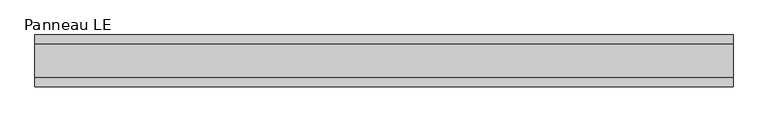
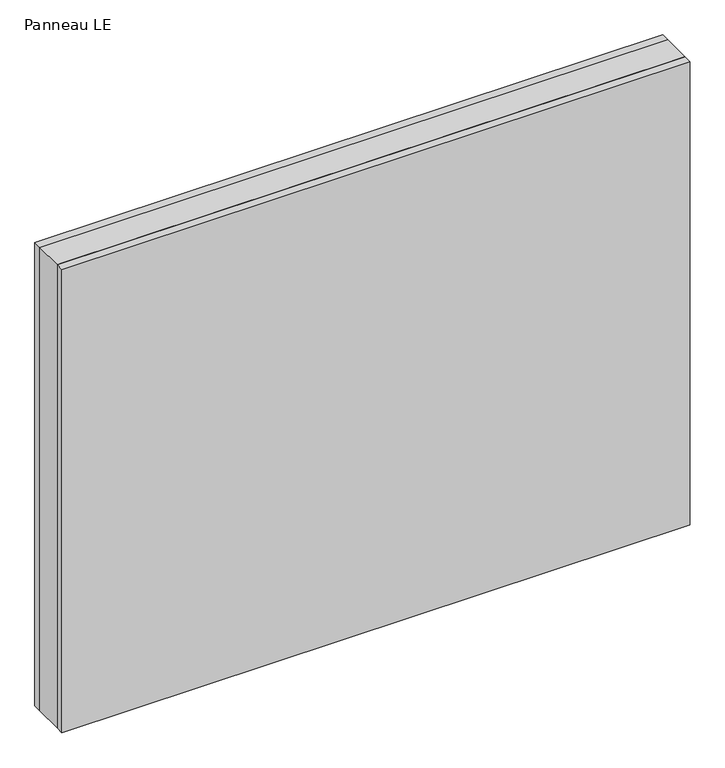
"""IFC4 building model written with IfcOpenShell, lengths in millimetres: plate geometry, Panneau LE."""

import ifcopenshell
import ifcopenshell.guid

model = None  # the IFC model being written
_history = None  # IfcOwnerHistory: only IFC2X3 demands one
_inside = {}  # id of a spatial element -> (the spatial element, [elements in it])
_under = {}  # id of a project, library or spatial element -> (it, [spatial elements below it])
_declared = {}  # id of a project -> (the project, [libraries it declares])
_typed = {}  # id of a type object -> (the type object, [elements of that type])
_made_of = {}  # id of a material, layer set ... -> (it, [elements and type objects made of it])


def new_model(schema):
    """Start an empty IFC model of exactly this schema.

    Asked for "IFC4X3", IfcOpenShell would pick the latest addendum, in which some entities
    have other attributes; the version numbers below select the first issue.
    IFC2X3 requires an IfcOwnerHistory on every rooted entity: one is made here for all.
    """
    global model, _history
    if schema == "IFC4X3":
        model = ifcopenshell.file(schema_version=(4, 3, 0, 0))
    else:
        model = ifcopenshell.file(schema=schema)
    _inside.clear()
    _under.clear()
    _declared.clear()
    _typed.clear()
    _made_of.clear()
    _history = None
    if model.schema == "IFC2X3":
        org = make("IfcOrganization", Name="unknown")
        user = make(
            "IfcPersonAndOrganization",
            ThePerson=make("IfcPerson", FamilyName="unknown"),
            TheOrganization=org,
        )
        app = make(
            "IfcApplication",
            ApplicationDeveloper=org,
            Version="unknown",
            ApplicationFullName="unknown",
            ApplicationIdentifier="unknown",
        )
        _history = make(
            "IfcOwnerHistory",
            OwningUser=user,
            OwningApplication=app,
            ChangeAction="ADDED",
            CreationDate=0,
        )
    return model


def make(cls, **values):
    """One entity of the class cls with the attributes given. An attribute that is None is left unset."""
    return model.create_entity(
        cls, **{name: value for name, value in values.items() if value is not None}
    )


def rooted(cls, **values):
    """An entity with a GlobalId (a new one), such as an element, a storey or a relation."""
    return make(cls, GlobalId=ifcopenshell.guid.new(), OwnerHistory=_history, **values)


def si_unit(unit_type, name, prefix=None):
    """IfcSIUnit, for example si_unit("LENGTHUNIT", "METRE", prefix="MILLI")."""
    return make("IfcSIUnit", UnitType=unit_type, Prefix=prefix, Name=name)


def assignment(units):
    """IfcUnitAssignment: the units of a project."""
    return None if units is None else make("IfcUnitAssignment", Units=units)


def point(xyz):
    """IfcCartesianPoint."""
    return None if xyz is None else make("IfcCartesianPoint", Coordinates=xyz)


def direction(xyz):
    """IfcDirection."""
    return None if xyz is None else make("IfcDirection", DirectionRatios=xyz)


def frame(location, z_axis=None, x_axis=None):
    """IfcAxis2Placement3D, a coordinate frame: its origin and axes. An axis left out is left unset."""
    return make(
        "IfcAxis2Placement3D",
        Location=point(location),
        Axis=direction(z_axis),
        RefDirection=direction(x_axis),
    )


def origin():
    """The frame at (0, 0, 0) with its axes left unset."""
    return frame((0.0, 0.0, 0.0))


def origin_with_axes():
    """The frame at (0, 0, 0) with the z axis (0, 0, 1) and the x axis (1, 0, 0) written out."""
    return frame((0.0, 0.0, 0.0), z_axis=(0.0, 0.0, 1.0), x_axis=(1.0, 0.0, 0.0))


def place(relative_to, where):
    """IfcLocalPlacement: puts the frame where relative to a parent placement (None: the world)."""
    return make(
        "IfcLocalPlacement", PlacementRelTo=relative_to, RelativePlacement=where
    )


def context(
    kind, dimensions, precision=None, world=None, true_north=None, identifier=None
):
    """IfcGeometricRepresentationContext, for example the 3D "Model" context."""
    return make(
        "IfcGeometricRepresentationContext",
        ContextIdentifier=identifier,
        ContextType=kind,
        CoordinateSpaceDimension=dimensions,
        Precision=precision,
        WorldCoordinateSystem=world,
        TrueNorth=true_north,
    )


def project(units=None, contexts=None):
    """IfcProject with its units and contexts."""
    return rooted(
        "IfcProject",
        Name="project",
        RepresentationContexts=contexts,
        UnitsInContext=assignment(units),
    )


def spatial(cls, under=None, at=None, **own):
    """A site, building, storey or space (cls), placed at a placement, below another one or the project."""
    s = rooted(cls, ObjectPlacement=at, **own)
    if under is not None:
        _under.setdefault(under.id(), (under, []))[1].append(s)
    return s


def polyline(points):
    """IfcPolyline through the points."""
    return make("IfcPolyline", Points=[point(p) for p in points])


def outline(outer, holes=None, kind="AREA"):
    """IfcArbitraryClosedProfileDef: a profile drawn as a closed curve; with holes, ...WithVoids."""
    if holes is None:
        return make("IfcArbitraryClosedProfileDef", ProfileType=kind, OuterCurve=outer)
    return make(
        "IfcArbitraryProfileDefWithVoids",
        ProfileType=kind,
        OuterCurve=outer,
        InnerCurves=holes,
    )


def extrude(swept, where, along, depth):
    """IfcExtrudedAreaSolid: the profile swept, set in the frame where, extruded along a direction by depth."""
    return make(
        "IfcExtrudedAreaSolid",
        SweptArea=swept,
        Position=where,
        ExtrudedDirection=direction(along),
        Depth=depth,
    )


def shape(context_of_items, identifier, shape_type, items):
    """IfcShapeRepresentation: the items that make up one representation, for example the "Body"."""
    return make(
        "IfcShapeRepresentation",
        ContextOfItems=context_of_items,
        RepresentationIdentifier=identifier,
        RepresentationType=shape_type,
        Items=items,
    )


def source(mapping_origin, context_of_items, identifier, shape_type, items):
    """IfcRepresentationMap: a shape defined once, which mapped items show again and again."""
    return make(
        "IfcRepresentationMap",
        MappingOrigin=mapping_origin,
        MappedRepresentation=shape(context_of_items, identifier, shape_type, items),
    )


def transform(
    local_origin,
    x_axis=None,
    y_axis=None,
    z_axis=None,
    scale=None,
    scale2=None,
    scale3=None,
    uniform=True,
):
    """IfcCartesianTransformationOperator3D, or its non-uniform kind. x_axis, y_axis, z_axis: its Axis1, 2, 3."""
    if uniform:
        return make(
            "IfcCartesianTransformationOperator3D",
            Axis1=direction(x_axis),
            Axis2=direction(y_axis),
            LocalOrigin=point(local_origin),
            Scale=scale,
            Axis3=direction(z_axis),
        )
    return make(
        "IfcCartesianTransformationOperator3DnonUniform",
        Axis1=direction(x_axis),
        Axis2=direction(y_axis),
        LocalOrigin=point(local_origin),
        Scale=scale,
        Axis3=direction(z_axis),
        Scale2=scale2,
        Scale3=scale3,
    )


def mapped(mapping_source, mapping_target):
    """IfcMappedItem: shows the shape of a source again, moved by a transform."""
    return make(
        "IfcMappedItem", MappingSource=mapping_source, MappingTarget=mapping_target
    )


def made_of(thing, what):
    """Note that an element or type object is made of a material, layer set ...; save() writes the relation."""
    if what is not None:
        _made_of.setdefault(what.id(), (what, []))[1].append(thing)
    return thing


def element(
    cls,
    number,
    at=None,
    inside=None,
    cuts=None,
    type_object=None,
    material=None,
    context=None,
    identifier="Body",
    shape_type=None,
    held_by="IfcProductDefinitionShape",
    body=None,
    shapes=None,
    **own,
):
    """One element of the class cls, such as IfcWall. Its Tag is "e" and its number.

    at: its placement. inside: the storey or other place that contains it. cuts: it is an
    opening in that element (IfcRelVoidsElement). A single representation is given by context,
    identifier, shape_type and body (its items); several are given by shapes. held_by: the class
    of the entity that holds the representations. save() writes the other relations.
    """
    e = rooted(cls, Tag="e%d" % number, ObjectPlacement=at, **own)
    if body is not None:
        shapes = [shape(context, identifier, shape_type, body)]
    if shapes is not None:
        e.Representation = make(held_by, Representations=shapes)
    if inside is not None:
        _inside.setdefault(inside.id(), (inside, []))[1].append(e)
    if cuts is not None:
        rooted(
            "IfcRelVoidsElement", RelatingBuildingElement=cuts, RelatedOpeningElement=e
        )
    if type_object is not None:
        _typed.setdefault(type_object.id(), (type_object, []))[1].append(e)
    return made_of(e, material)


def aggregate(whole, parts):
    """IfcRelAggregates: a whole, such as a stair, and the parts it consists of."""
    return rooted("IfcRelAggregates", RelatingObject=whole, RelatedObjects=parts)


def save(model, path):
    """Write the relations noted so far, then the file.

    IfcRelAggregates (storeys below a building ...), IfcRelContainedInSpatialStructure (elements
    in a storey), IfcRelDefinesByType, IfcRelAssociatesMaterial and IfcRelDeclares: one each for
    every whole, place, type object, material and project.
    """
    for whole, parts in _under.values():
        aggregate(whole, parts)
    for where, things in _inside.values():
        rooted(
            "IfcRelContainedInSpatialStructure",
            RelatedElements=things,
            RelatingStructure=where,
        )
    for kind, things in _typed.values():
        rooted("IfcRelDefinesByType", RelatedObjects=things, RelatingType=kind)
    for what, things in _made_of.values():
        rooted("IfcRelAssociatesMaterial", RelatedObjects=things, RelatingMaterial=what)
    for by, libraries in _declared.values():
        rooted("IfcRelDeclares", RelatingContext=by, RelatedDefinitions=libraries)
    model.write(path)


def panneau_le_44e91098(model_context):
    return source(origin(), model_context, "Body", "SweptSolid", [
        extrude(outline(polyline([(607.0000001, 29.0), (607.0000001, -29.0), (-607.0000001, -29.0), (-607.0000001, 29.0), (607.0000001, 29.0)])), origin_with_axes(), (0.0, 0.0, 1.0), 946.5),
        extrude(outline(polyline([(607.0000001, 45.0), (607.0000001, 29.0), (-607.0000001, 29.0), (-607.0000001, 45.0), (607.0000001, 45.0)])), origin_with_axes(), (0.0, 0.0, 1.0), 946.5),
        extrude(outline(polyline([(-607.0000001, -45.0), (-607.0000001, -29.0), (607.0000001, -29.0), (607.0000001, -45.0), (-607.0000001, -45.0)])), origin_with_axes(), (0.0, 0.0, 1.0), 946.5),
    ])


if __name__ == "__main__":
    model = new_model("IFC4")
    model_context = context("Model", 3, world=origin())
    ifc_project = project(units=[si_unit("LENGTHUNIT", "METRE", prefix="MILLI")], contexts=[model_context])
    site = spatial("IfcSite", under=ifc_project)
    building = spatial("IfcBuilding", under=site)
    placement = place(None, origin())
    panneau_le_shape = panneau_le_44e91098(model_context)
    element("IfcPlate", 1, ObjectType="Panneau LE", at=placement, inside=building, context=model_context, shape_type="MappedRepresentation", body=[
        mapped(panneau_le_shape, transform((0.0, 0.0, 0.0), x_axis=(1.0, 0.0, 0.0), y_axis=(0.0, 1.0, 0.0), z_axis=(0.0, 0.0, 1.0))),
    ])
    save(model, "model.ifc")
